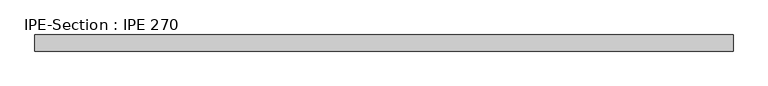
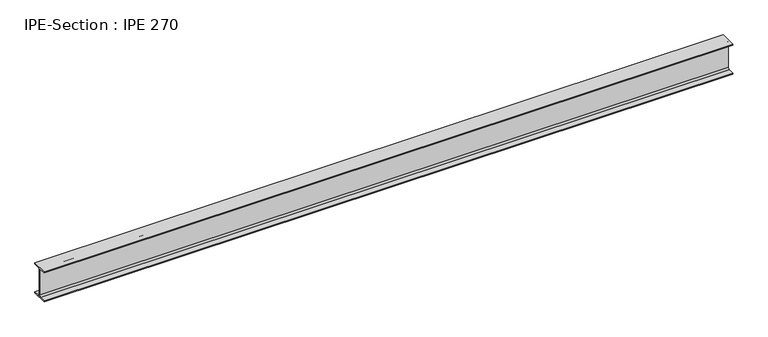
"""IFC4 building model written with IfcOpenShell, lengths in millimetres: beam geometry, IPE-Section : IPE 270."""

from ifc_helpers import new_model, si_unit, point, frame, frame_2d, origin, place, context, project, spatial, polyline, circle_curve, trimmed, segment, composite_curve, outline, extrude, source, transform, mapped, element, save


def ipe_section_ipe_270_a9f50a50(model_context):
    return source(origin(), model_context, "Body", "SweptSolid", [
        extrude(outline(composite_curve([segment(polyline([(67.5, -124.8), (67.5, -135.0), (-67.5, -135.0), (-67.5, -124.8), (-18.3, -124.8)]), True, "CONTINUOUS"), segment(trimmed(circle_curve(frame_2d((-18.3, -109.8)), 15.0), [point((-18.3, -124.8))], [point((-3.3, -109.8))], True, "CARTESIAN"), True, "CONTINUOUS"), segment(polyline([(-3.3, -109.8), (-3.3, 109.8)]), True, "CONTINUOUS"), segment(trimmed(circle_curve(frame_2d((-18.3, 109.8)), 15.0), [point((-3.3, 109.8))], [point((-18.3, 124.8))], True, "CARTESIAN"), True, "CONTINUOUS"), segment(polyline([(-18.3, 124.8), (-67.5, 124.8), (-67.5, 135.0), (67.5, 135.0), (67.5, 124.8), (18.3, 124.8)]), True, "CONTINUOUS"), segment(trimmed(circle_curve(frame_2d((18.3, 109.8)), 15.0), [point((18.3, 124.8))], [point((3.3, 109.8))], True, "CARTESIAN"), True, "CONTINUOUS"), segment(polyline([(3.3, 109.8), (3.3, -109.8)]), True, "CONTINUOUS"), segment(trimmed(circle_curve(frame_2d((18.3, -109.8)), 15.0), [point((3.3, -109.8))], [point((18.3, -124.8))], True, "CARTESIAN"), True, "CONTINUOUS"), segment(polyline([(18.3, -124.8), (67.5, -124.8)]), True, "CONTINUOUS")], self_intersect=False)), frame((-2909.4681778, 0.0, 0.0), z_axis=(1.0, 0.0, 0.0), x_axis=(0.0, 1.0, 0.0)), (0.0, 0.0, 1.0), 5827.9656693),
    ])


if __name__ == "__main__":
    model = new_model("IFC4")
    model_context = context("Model", 3, world=origin())
    ifc_project = project(units=[si_unit("LENGTHUNIT", "METRE", prefix="MILLI")], contexts=[model_context])
    site = spatial("IfcSite", under=ifc_project)
    building = spatial("IfcBuilding", under=site)
    placement = place(None, origin())
    ipe_section_ipe_270_shape = ipe_section_ipe_270_a9f50a50(model_context)
    element("IfcBeam", 1, ObjectType="IPE-Section : IPE 270", at=placement, inside=building, context=model_context, shape_type="MappedRepresentation", body=[
        mapped(ipe_section_ipe_270_shape, transform((0.0, 0.0, 0.0), x_axis=(1.0, 0.0, 0.0), y_axis=(0.0, 1.0, 0.0), z_axis=(0.0, 0.0, 1.0))),
    ])
    save(model, "model.ifc")
